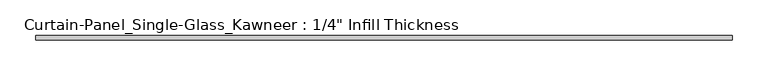
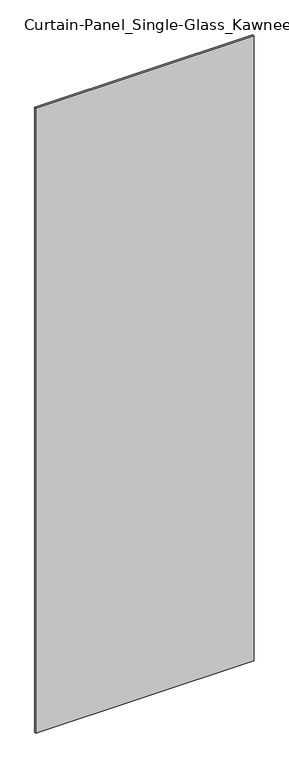
"""IFC4 building model written with IfcOpenShell, lengths in millimetres: plate geometry."""

from ifc_helpers import new_model, si_unit, origin, origin_with_axes, place, context, project, spatial, polyline, outline, extrude, source, transform, mapped, element, save


def plate_0ddd51f8(model_context):
    return source(origin(), model_context, "Body", "SweptSolid", [
        extrude(outline(polyline([(488.95, -3.175), (-488.95, -3.175), (-488.95, 3.175), (488.95, 3.175), (488.95, -3.175)])), origin_with_axes(), (0.0, 0.0, 1.0), 2959.1),
    ])


if __name__ == "__main__":
    model = new_model("IFC4")
    model_context = context("Model", 3, world=origin())
    ifc_project = project(units=[si_unit("LENGTHUNIT", "METRE", prefix="MILLI")], contexts=[model_context])
    site = spatial("IfcSite", under=ifc_project)
    building = spatial("IfcBuilding", under=site)
    placement = place(None, origin())
    plate_shape = plate_0ddd51f8(model_context)
    element("IfcPlate", 1, ObjectType="Curtain-Panel_Single-Glass_Kawneer : 1/4\" Infill Thickness", at=placement, inside=building, context=model_context, shape_type="MappedRepresentation", body=[
        mapped(plate_shape, transform((0.0, 0.0, 0.0), x_axis=(1.0, 0.0, 0.0), y_axis=(0.0, 1.0, 0.0), z_axis=(0.0, 0.0, 1.0))),
    ])
    save(model, "model.ifc")
